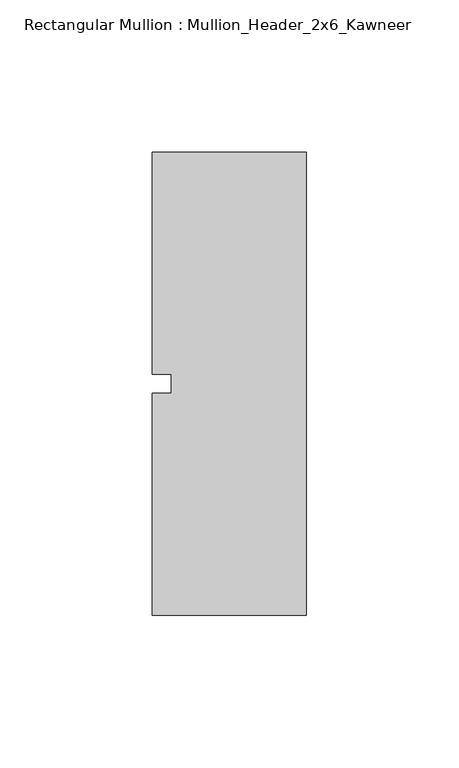
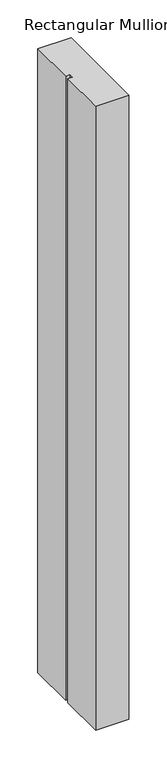
"""IFC4 building model written with IfcOpenShell, lengths in millimetres: member geometry, Rectangular Mullion : Mullion_Header_2x6_Kawneer."""

from ifc_helpers import new_model, si_unit, frame, origin, place, context, project, spatial, polyline, outline, extrude, source, transform, mapped, element, save


def rectangular_mullion_mullion_header_2x6_kawneer_290289fe(model_context):
    return source(origin(), model_context, "Body", "SweptSolid", [
        extrude(outline(polyline([(-50.8, 76.2), (0.0, 76.2), (0.0, -76.2), (-50.8, -76.2), (-50.8, -3.175), (-44.45, -3.175), (-44.45, 3.175), (-50.8, 3.175), (-50.8, 76.2)])), frame((0.0, 0.0, -1005.84), z_axis=(0.0, 0.0, 1.0), x_axis=(1.0, 0.0, 0.0)), (0.0, 0.0, 1.0), 1005.84),
    ])


if __name__ == "__main__":
    model = new_model("IFC4")
    model_context = context("Model", 3, world=origin())
    ifc_project = project(units=[si_unit("LENGTHUNIT", "METRE", prefix="MILLI")], contexts=[model_context])
    site = spatial("IfcSite", under=ifc_project)
    building = spatial("IfcBuilding", under=site)
    placement = place(None, origin())
    rectangular_mullion_mullion_header_2x6_kawneer_shape = rectangular_mullion_mullion_header_2x6_kawneer_290289fe(model_context)
    element("IfcMember", 1, ObjectType="Rectangular Mullion : Mullion_Header_2x6_Kawneer", at=placement, inside=building, context=model_context, shape_type="MappedRepresentation", body=[
        mapped(rectangular_mullion_mullion_header_2x6_kawneer_shape, transform((0.0, 0.0, 0.0), x_axis=(1.0, 0.0, 0.0), y_axis=(0.0, 1.0, 0.0), z_axis=(0.0, 0.0, 1.0))),
    ])
    save(model, "model.ifc")
